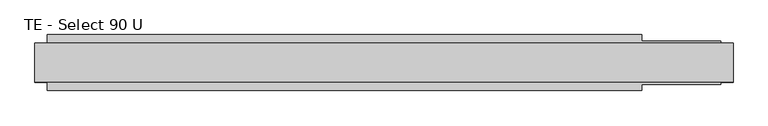
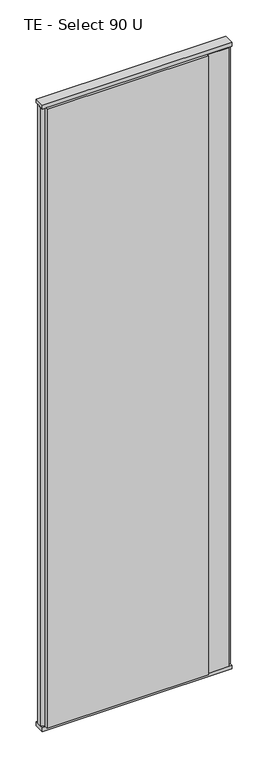
"""IFC4 building model written with IfcOpenShell, lengths in millimetres: plate geometry, TE - Select 90 U."""

from ifc_helpers import new_model, si_unit, frame, origin, origin_with_axes, place, context, project, spatial, polyline, outline, extrude, source, transform, mapped, element, save


def te_select_90_u_26fe6f85(model_context):
    return source(origin(), model_context, "Body", "SweptSolid", [
        extrude(outline(polyline([(422.9166667, 46.0), (422.9166667, 36.0), (552.9166667, 36.0), (552.9166667, 22.9993165), (572.9166667, 17.6401049), (572.9166667, -17.6401049), (552.9166667, -22.9993165), (552.9166667, -36.0), (422.9166667, -36.0), (422.9166667, -46.0), (-552.9166667, -46.0), (-552.9166667, -22.9993165), (-572.9166667, -17.6401049), (-572.9166667, 17.6401049), (-552.9166667, 22.9993165), (-552.9166667, 46.0), (422.9166667, 46.0)])), frame((0.0, 0.0, 25.0), z_axis=(0.0, 0.0, 1.0), x_axis=(1.0, 0.0, 0.0)), (0.0, 0.0, 1.0), 3950.0),
        extrude(outline(polyline([(572.9166667, 32.0), (572.9166667, -32.0), (-572.9166667, -32.0), (-572.9166667, 32.0), (572.9166667, 32.0)])), origin_with_axes(), (0.0, 0.0, 1.0), 25.0),
        extrude(outline(polyline([(572.9166667, 32.0), (572.9166667, -32.0), (-572.9166667, -32.0), (-572.9166667, 32.0), (572.9166667, 32.0)])), frame((0.0, 0.0, 3975.0), z_axis=(0.0, 0.0, 1.0), x_axis=(1.0, 0.0, 0.0)), (0.0, 0.0, 1.0), 25.0),
    ])


if __name__ == "__main__":
    model = new_model("IFC4")
    model_context = context("Model", 3, world=origin())
    ifc_project = project(units=[si_unit("LENGTHUNIT", "METRE", prefix="MILLI")], contexts=[model_context])
    site = spatial("IfcSite", under=ifc_project)
    building = spatial("IfcBuilding", under=site)
    placement = place(None, origin())
    te_select_90_u_shape = te_select_90_u_26fe6f85(model_context)
    element("IfcPlate", 1, ObjectType="TE - Select 90 U", at=placement, inside=building, context=model_context, shape_type="MappedRepresentation", body=[
        mapped(te_select_90_u_shape, transform((0.0, 0.0, 0.0), x_axis=(1.0, 0.0, 0.0), y_axis=(0.0, 1.0, 0.0), z_axis=(0.0, 0.0, 1.0))),
    ])
    save(model, "model.ifc")
